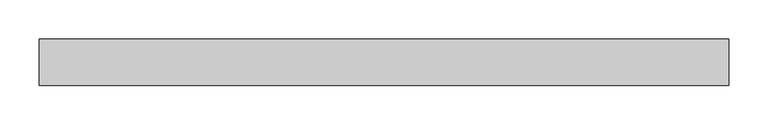
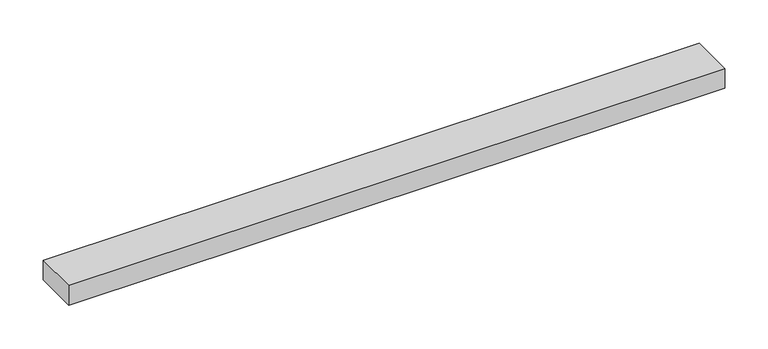
"""IFC4 building model written with IfcOpenShell, lengths in millimetres: proxy geometry."""

import ifcopenshell
import ifcopenshell.guid

model = None  # the IFC model being written
_history = None  # IfcOwnerHistory: only IFC2X3 demands one
_inside = {}  # id of a spatial element -> (the spatial element, [elements in it])
_under = {}  # id of a project, library or spatial element -> (it, [spatial elements below it])
_declared = {}  # id of a project -> (the project, [libraries it declares])
_typed = {}  # id of a type object -> (the type object, [elements of that type])
_made_of = {}  # id of a material, layer set ... -> (it, [elements and type objects made of it])


def new_model(schema):
    """Start an empty IFC model of exactly this schema.

    Asked for "IFC4X3", IfcOpenShell would pick the latest addendum, in which some entities
    have other attributes; the version numbers below select the first issue.
    IFC2X3 requires an IfcOwnerHistory on every rooted entity: one is made here for all.
    """
    global model, _history
    if schema == "IFC4X3":
        model = ifcopenshell.file(schema_version=(4, 3, 0, 0))
    else:
        model = ifcopenshell.file(schema=schema)
    _inside.clear()
    _under.clear()
    _declared.clear()
    _typed.clear()
    _made_of.clear()
    _history = None
    if model.schema == "IFC2X3":
        org = make("IfcOrganization", Name="unknown")
        user = make(
            "IfcPersonAndOrganization",
            ThePerson=make("IfcPerson", FamilyName="unknown"),
            TheOrganization=org,
        )
        app = make(
            "IfcApplication",
            ApplicationDeveloper=org,
            Version="unknown",
            ApplicationFullName="unknown",
            ApplicationIdentifier="unknown",
        )
        _history = make(
            "IfcOwnerHistory",
            OwningUser=user,
            OwningApplication=app,
            ChangeAction="ADDED",
            CreationDate=0,
        )
    return model


def make(cls, **values):
    """One entity of the class cls with the attributes given. An attribute that is None is left unset."""
    return model.create_entity(
        cls, **{name: value for name, value in values.items() if value is not None}
    )


def rooted(cls, **values):
    """An entity with a GlobalId (a new one), such as an element, a storey or a relation."""
    return make(cls, GlobalId=ifcopenshell.guid.new(), OwnerHistory=_history, **values)


def si_unit(unit_type, name, prefix=None):
    """IfcSIUnit, for example si_unit("LENGTHUNIT", "METRE", prefix="MILLI")."""
    return make("IfcSIUnit", UnitType=unit_type, Prefix=prefix, Name=name)


def assignment(units):
    """IfcUnitAssignment: the units of a project."""
    return None if units is None else make("IfcUnitAssignment", Units=units)


def point(xyz):
    """IfcCartesianPoint."""
    return None if xyz is None else make("IfcCartesianPoint", Coordinates=xyz)


def direction(xyz):
    """IfcDirection."""
    return None if xyz is None else make("IfcDirection", DirectionRatios=xyz)


def frame(location, z_axis=None, x_axis=None):
    """IfcAxis2Placement3D, a coordinate frame: its origin and axes. An axis left out is left unset."""
    return make(
        "IfcAxis2Placement3D",
        Location=point(location),
        Axis=direction(z_axis),
        RefDirection=direction(x_axis),
    )


def origin():
    """The frame at (0, 0, 0) with its axes left unset."""
    return frame((0.0, 0.0, 0.0))


def place(relative_to, where):
    """IfcLocalPlacement: puts the frame where relative to a parent placement (None: the world)."""
    return make(
        "IfcLocalPlacement", PlacementRelTo=relative_to, RelativePlacement=where
    )


def context(
    kind, dimensions, precision=None, world=None, true_north=None, identifier=None
):
    """IfcGeometricRepresentationContext, for example the 3D "Model" context."""
    return make(
        "IfcGeometricRepresentationContext",
        ContextIdentifier=identifier,
        ContextType=kind,
        CoordinateSpaceDimension=dimensions,
        Precision=precision,
        WorldCoordinateSystem=world,
        TrueNorth=true_north,
    )


def project(units=None, contexts=None):
    """IfcProject with its units and contexts."""
    return rooted(
        "IfcProject",
        Name="project",
        RepresentationContexts=contexts,
        UnitsInContext=assignment(units),
    )


def spatial(cls, under=None, at=None, **own):
    """A site, building, storey or space (cls), placed at a placement, below another one or the project."""
    s = rooted(cls, ObjectPlacement=at, **own)
    if under is not None:
        _under.setdefault(under.id(), (under, []))[1].append(s)
    return s


def polyline(points):
    """IfcPolyline through the points."""
    return make("IfcPolyline", Points=[point(p) for p in points])


def outline(outer, holes=None, kind="AREA"):
    """IfcArbitraryClosedProfileDef: a profile drawn as a closed curve; with holes, ...WithVoids."""
    if holes is None:
        return make("IfcArbitraryClosedProfileDef", ProfileType=kind, OuterCurve=outer)
    return make(
        "IfcArbitraryProfileDefWithVoids",
        ProfileType=kind,
        OuterCurve=outer,
        InnerCurves=holes,
    )


def extrude(swept, where, along, depth):
    """IfcExtrudedAreaSolid: the profile swept, set in the frame where, extruded along a direction by depth."""
    return make(
        "IfcExtrudedAreaSolid",
        SweptArea=swept,
        Position=where,
        ExtrudedDirection=direction(along),
        Depth=depth,
    )


def shape(context_of_items, identifier, shape_type, items):
    """IfcShapeRepresentation: the items that make up one representation, for example the "Body"."""
    return make(
        "IfcShapeRepresentation",
        ContextOfItems=context_of_items,
        RepresentationIdentifier=identifier,
        RepresentationType=shape_type,
        Items=items,
    )


def source(mapping_origin, context_of_items, identifier, shape_type, items):
    """IfcRepresentationMap: a shape defined once, which mapped items show again and again."""
    return make(
        "IfcRepresentationMap",
        MappingOrigin=mapping_origin,
        MappedRepresentation=shape(context_of_items, identifier, shape_type, items),
    )


def transform(
    local_origin,
    x_axis=None,
    y_axis=None,
    z_axis=None,
    scale=None,
    scale2=None,
    scale3=None,
    uniform=True,
):
    """IfcCartesianTransformationOperator3D, or its non-uniform kind. x_axis, y_axis, z_axis: its Axis1, 2, 3."""
    if uniform:
        return make(
            "IfcCartesianTransformationOperator3D",
            Axis1=direction(x_axis),
            Axis2=direction(y_axis),
            LocalOrigin=point(local_origin),
            Scale=scale,
            Axis3=direction(z_axis),
        )
    return make(
        "IfcCartesianTransformationOperator3DnonUniform",
        Axis1=direction(x_axis),
        Axis2=direction(y_axis),
        LocalOrigin=point(local_origin),
        Scale=scale,
        Axis3=direction(z_axis),
        Scale2=scale2,
        Scale3=scale3,
    )


def mapped(mapping_source, mapping_target):
    """IfcMappedItem: shows the shape of a source again, moved by a transform."""
    return make(
        "IfcMappedItem", MappingSource=mapping_source, MappingTarget=mapping_target
    )


def made_of(thing, what):
    """Note that an element or type object is made of a material, layer set ...; save() writes the relation."""
    if what is not None:
        _made_of.setdefault(what.id(), (what, []))[1].append(thing)
    return thing


def element(
    cls,
    number,
    at=None,
    inside=None,
    cuts=None,
    type_object=None,
    material=None,
    context=None,
    identifier="Body",
    shape_type=None,
    held_by="IfcProductDefinitionShape",
    body=None,
    shapes=None,
    **own,
):
    """One element of the class cls, such as IfcWall. Its Tag is "e" and its number.

    at: its placement. inside: the storey or other place that contains it. cuts: it is an
    opening in that element (IfcRelVoidsElement). A single representation is given by context,
    identifier, shape_type and body (its items); several are given by shapes. held_by: the class
    of the entity that holds the representations. save() writes the other relations.
    """
    e = rooted(cls, Tag="e%d" % number, ObjectPlacement=at, **own)
    if body is not None:
        shapes = [shape(context, identifier, shape_type, body)]
    if shapes is not None:
        e.Representation = make(held_by, Representations=shapes)
    if inside is not None:
        _inside.setdefault(inside.id(), (inside, []))[1].append(e)
    if cuts is not None:
        rooted(
            "IfcRelVoidsElement", RelatingBuildingElement=cuts, RelatedOpeningElement=e
        )
    if type_object is not None:
        _typed.setdefault(type_object.id(), (type_object, []))[1].append(e)
    return made_of(e, material)


def aggregate(whole, parts):
    """IfcRelAggregates: a whole, such as a stair, and the parts it consists of."""
    return rooted("IfcRelAggregates", RelatingObject=whole, RelatedObjects=parts)


def save(model, path):
    """Write the relations noted so far, then the file.

    IfcRelAggregates (storeys below a building ...), IfcRelContainedInSpatialStructure (elements
    in a storey), IfcRelDefinesByType, IfcRelAssociatesMaterial and IfcRelDeclares: one each for
    every whole, place, type object, material and project.
    """
    for whole, parts in _under.values():
        aggregate(whole, parts)
    for where, things in _inside.values():
        rooted(
            "IfcRelContainedInSpatialStructure",
            RelatedElements=things,
            RelatingStructure=where,
        )
    for kind, things in _typed.values():
        rooted("IfcRelDefinesByType", RelatedObjects=things, RelatingType=kind)
    for what, things in _made_of.values():
        rooted("IfcRelAssociatesMaterial", RelatedObjects=things, RelatingMaterial=what)
    for by, libraries in _declared.values():
        rooted("IfcRelDeclares", RelatingContext=by, RelatedDefinitions=libraries)
    model.write(path)


def specialty_equipment_1fdb994f(model_context):
    return source(origin(), model_context, "Body", "SweptSolid", [
        extrude(outline(polyline([(-436.2890443, -29.2199219), (-436.2890443, 29.2199219), (436.2890443, 29.2199219), (436.2890443, -29.2199219), (-436.2890443, -29.2199219)])), frame((0.0, 0.0, -13.9898438), z_axis=(0.0, 0.0, 1.0), x_axis=(1.0, 0.0, 0.0)), (0.0, 0.0, 1.0), 27.9796875),
    ])


if __name__ == "__main__":
    model = new_model("IFC4")
    model_context = context("Model", 3, world=origin())
    ifc_project = project(units=[si_unit("LENGTHUNIT", "METRE", prefix="MILLI")], contexts=[model_context])
    site = spatial("IfcSite", under=ifc_project)
    building = spatial("IfcBuilding", under=site)
    placement = place(None, origin())
    specialty_equipment_shape = specialty_equipment_1fdb994f(model_context)
    element("IfcBuildingElementProxy", 1, Name="Specialty Equipment", at=placement, inside=building, context=model_context, shape_type="MappedRepresentation", body=[
        mapped(specialty_equipment_shape, transform((0.0, 0.0, 0.0), x_axis=(1.0, 0.0, 0.0), y_axis=(0.0, 1.0, 0.0), z_axis=(0.0, 0.0, 1.0))),
    ])
    save(model, "model.ifc")
